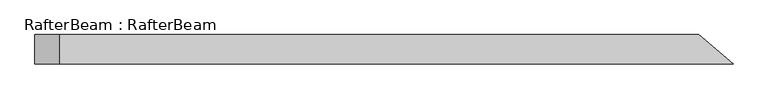
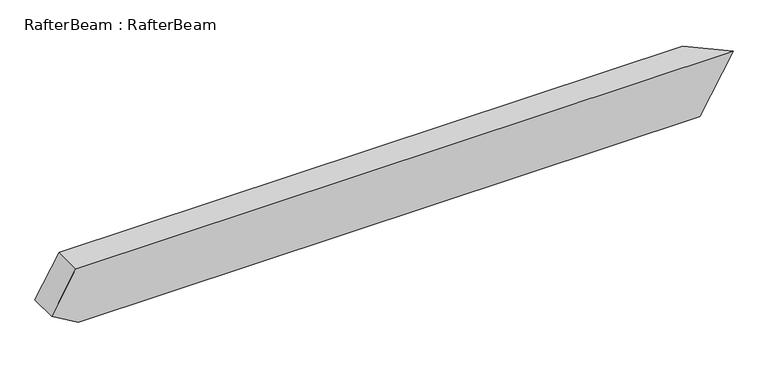
"""IFC4 building model written with IfcOpenShell, lengths in millimetres: beam geometry, RafterBeam : RafterBeam."""

from ifc_helpers import new_model, si_unit, origin, place, context, project, spatial, faceted_brep, source, transform, mapped, element, save


def rafterbeam_rafterbeam_acbc2b23(model_context):
    return source(origin(), model_context, "Body", "Brep", [
        faceted_brep([(904.7671184, -40.0, 80.0), (811.5369398, 40.0, 80.0), (-923.4717556, 40.0, 80.0), (-923.4717556, -40.0, 80.0), (719.1608967, 40.0, -80.0), (812.3910753, -40.0, -80.0), (-915.8477986, -40.0, -80.0), (-915.8477986, 40.0, -80.0), (-990.8477986, 40.0, -36.6987298), (-990.8477986, -40.0, -36.6987298)], [[[0, 1, 2, 3]], [[4, 5, 6, 7]], [[1, 4, 7, 8, 2]], [[5, 0, 3, 9, 6]], [[0, 5, 4, 1]], [[3, 2, 8, 9]], [[7, 6, 9, 8]]]),
    ])


if __name__ == "__main__":
    model = new_model("IFC4")
    model_context = context("Model", 3, world=origin())
    ifc_project = project(units=[si_unit("LENGTHUNIT", "METRE", prefix="MILLI")], contexts=[model_context])
    site = spatial("IfcSite", under=ifc_project)
    building = spatial("IfcBuilding", under=site)
    placement = place(None, origin())
    rafterbeam_rafterbeam_shape = rafterbeam_rafterbeam_acbc2b23(model_context)
    element("IfcBeam", 1, ObjectType="RafterBeam : RafterBeam", at=placement, inside=building, context=model_context, shape_type="MappedRepresentation", body=[
        mapped(rafterbeam_rafterbeam_shape, transform((0.0, 0.0, 0.0), x_axis=(1.0, 0.0, 0.0), y_axis=(0.0, 1.0, 0.0), z_axis=(0.0, 0.0, 1.0))),
    ])
    save(model, "model.ifc")
